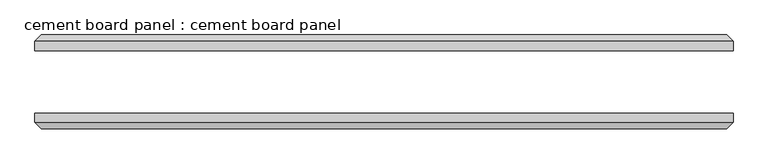
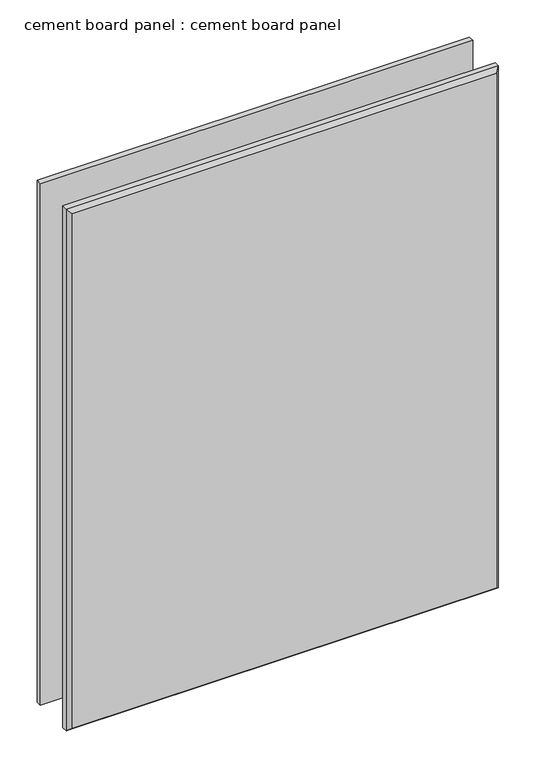
"""IFC4 building model written with IfcOpenShell, lengths in millimetres: plate geometry, cement board panel : cement board panel."""

from ifc_helpers import new_model, si_unit, origin, place, context, project, spatial, faceted_brep, source, transform, mapped, element, save


def cement_board_panel_cement_board_panel_e9b40105(model_context):
    return source(origin(), model_context, "Body", "Brep", [
        faceted_brep([(558.3333333, -50.0, 1425.0), (-558.3333333, -50.0, 1425.0), (-558.3333333, -65.0, 1425.0), (558.3333333, -65.0, 1425.0), (-558.3333333, -50.0, 0.0), (558.3333333, -50.0, 0.0), (558.3333333, -65.0, 0.0), (-558.3333333, -65.0, 0.0), (-548.3333333, -75.0, 10.0), (548.3333333, -75.0, 10.0), (548.3333333, -75.0, 1415.0), (-548.3333333, -75.0, 1415.0)], [[[0, 1, 2, 3]], [[4, 5, 6, 7]], [[1, 0, 5, 4]], [[1, 4, 7, 2]], [[8, 9, 10, 11]], [[5, 0, 3, 6]], [[6, 9, 8, 7]], [[9, 6, 3, 10]], [[10, 3, 2, 11]], [[7, 8, 11, 2]]]),
        faceted_brep([(-558.3333333, 50.0, 1425.0), (558.3333333, 50.0, 1425.0), (558.3333333, 65.0, 1425.0), (-558.3333333, 65.0, 1425.0), (558.3333333, 50.0, 0.0), (-558.3333333, 50.0, 0.0), (-558.3333333, 65.0, 0.0), (558.3333333, 65.0, 0.0), (548.3333333, 75.0, 10.0), (-548.3333333, 75.0, 10.0), (-548.3333333, 75.0, 1415.0), (548.3333333, 75.0, 1415.0)], [[[0, 1, 2, 3]], [[4, 5, 6, 7]], [[1, 4, 7, 2]], [[8, 9, 10, 11]], [[5, 0, 3, 6]], [[1, 0, 5, 4]], [[6, 9, 8, 7]], [[9, 6, 3, 10]], [[10, 3, 2, 11]], [[7, 8, 11, 2]]]),
    ])


if __name__ == "__main__":
    model = new_model("IFC4")
    model_context = context("Model", 3, world=origin())
    ifc_project = project(units=[si_unit("LENGTHUNIT", "METRE", prefix="MILLI")], contexts=[model_context])
    site = spatial("IfcSite", under=ifc_project)
    building = spatial("IfcBuilding", under=site)
    placement = place(None, origin())
    cement_board_panel_cement_board_panel_shape = cement_board_panel_cement_board_panel_e9b40105(model_context)
    element("IfcPlate", 1, ObjectType="cement board panel : cement board panel", at=placement, inside=building, context=model_context, shape_type="MappedRepresentation", body=[
        mapped(cement_board_panel_cement_board_panel_shape, transform((0.0, 0.0, 0.0), x_axis=(1.0, 0.0, 0.0), y_axis=(0.0, 1.0, 0.0), z_axis=(0.0, 0.0, 1.0))),
    ])
    save(model, "model.ifc")
